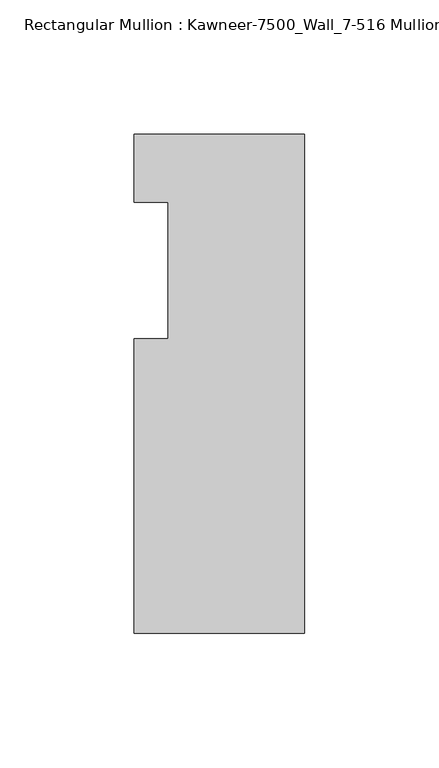
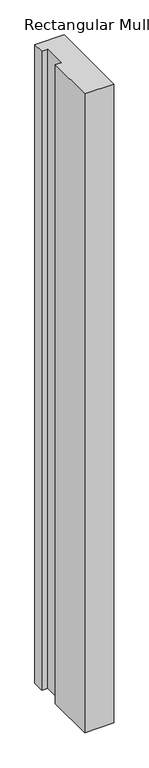
"""IFC4 building model written with IfcOpenShell, lengths in millimetres: member geometry, Rectangular Mullion : Kawneer-7500_Wall_7-516 Mullion_Head."""

from ifc_helpers import new_model, si_unit, frame, origin, place, context, project, spatial, polyline, outline, extrude, source, transform, mapped, element, save


def rectangular_mullion_kawneer_7500_wall_7_516_mullion_head_01829706(model_context):
    return source(origin(), model_context, "Body", "SweptSolid", [
        extrude(outline(polyline([(-63.5, -134.9375), (-63.5, -25.4), (-50.7982296, -25.4), (-50.7982296, 25.4), (-63.5, 25.4), (-63.5, 50.8), (0.0, 50.8), (0.0, -134.9375), (-63.5, -134.9375)])), frame((0.0, 0.0, -1460.5), z_axis=(0.0, 0.0, 1.0), x_axis=(1.0, 0.0, 0.0)), (0.0, 0.0, 1.0), 1460.5),
    ])


if __name__ == "__main__":
    model = new_model("IFC4")
    model_context = context("Model", 3, world=origin())
    ifc_project = project(units=[si_unit("LENGTHUNIT", "METRE", prefix="MILLI")], contexts=[model_context])
    site = spatial("IfcSite", under=ifc_project)
    building = spatial("IfcBuilding", under=site)
    placement = place(None, origin())
    rectangular_mullion_kawneer_7500_wall_7_516_mullion_head_shape = rectangular_mullion_kawneer_7500_wall_7_516_mullion_head_01829706(model_context)
    element("IfcMember", 1, ObjectType="Rectangular Mullion : Kawneer-7500_Wall_7-516 Mullion_Head", at=placement, inside=building, context=model_context, shape_type="MappedRepresentation", body=[
        mapped(rectangular_mullion_kawneer_7500_wall_7_516_mullion_head_shape, transform((0.0, 0.0, 0.0), x_axis=(1.0, 0.0, 0.0), y_axis=(0.0, 1.0, 0.0), z_axis=(0.0, 0.0, 1.0))),
    ])
    save(model, "model.ifc")
